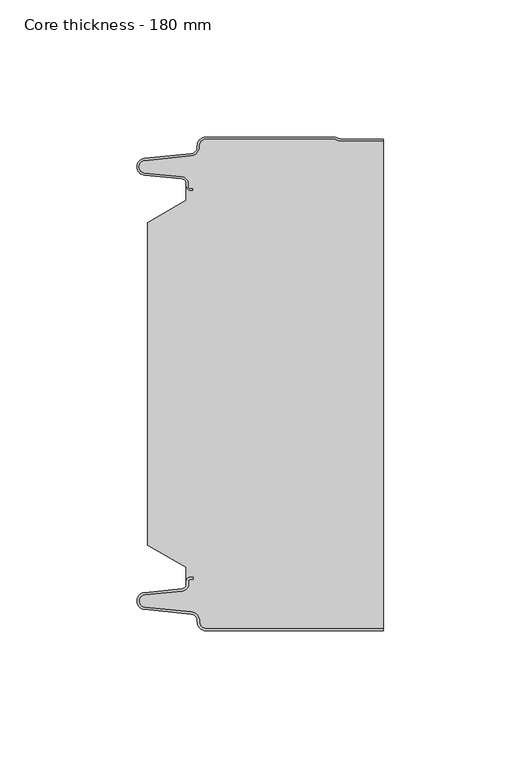
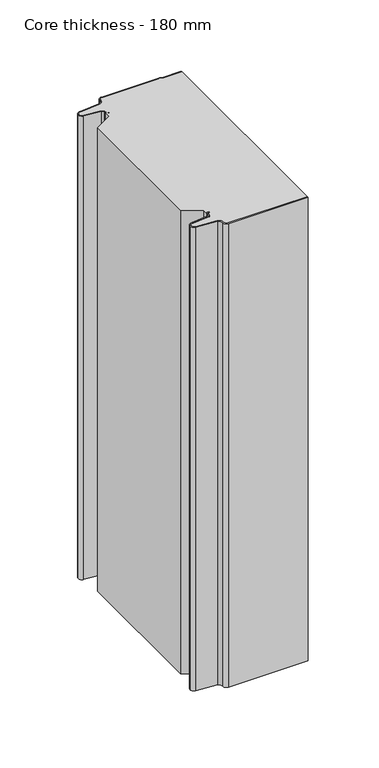
"""IFC4 building model written with IfcOpenShell, lengths in millimetres: plate geometry, Core thickness - 180 mm."""

from ifc_helpers import new_model, si_unit, frame, origin, place, context, project, spatial, polyline, circle_curve, source, transform, mapped, element, save
from ifc_brep_helpers import plane_surface, cylinder_surface, revolved_surface, advanced_brep


def core_thickness_180_mm_905cd789(model_context):
    return source(origin(), model_context, "Body", "AdvancedBrep", [
        advanced_brep(
        [(-19.8000003, -179.9996949, 0.0), (-22.9923632, -176.5787437, 0.0), (-25.2560431, -173.9171154, 0.0), (-42.2115315, -172.2546153, 0.0), (-44.9999998, -169.1776715, 0.0), (-42.2115315, -166.1007278, 0.0), (-28.6195785, -164.7680252, 0.0), (-26.9952277, -162.9766159, 0.0), (-26.9952277, -161.8996949, 0.0), (-25.5952277, -160.4996949, 0.0), (-24.4952277, -160.4996949, 0.0), (-24.4952277, -161.2996949, 0.0), (-25.5952277, -161.2996949, 0.0), (-26.1952277, -161.8996949, 0.0), (-26.1952277, -162.9766159, 0.0), (-28.5415122, -165.5642071, 0.0), (-42.1334652, -166.8969097, 0.0), (-44.1999997, -169.1776715, 0.0), (-42.1334652, -171.4584333, 0.0), (-25.1779767, -173.1209335, 0.0), (-22.2078761, -176.6330399, 0.0), (-19.8000003, -179.1996949, 0.0), (44.9999998, -179.2, 0.0), (44.9999998, -179.9996949, 0.0), (-19.8000003, -179.1996949, 400.0), (-22.1942724, -176.6339815, 400.0), (-25.1779767, -173.1209335, 400.0), (-42.1334652, -171.4584333, 400.0), (-44.1999997, -169.1776715, 400.0), (-42.1334652, -166.8969097, 400.0), (-28.5415122, -165.5642071, 400.0), (-26.1952277, -162.9766159, 400.0), (-26.1952277, -161.8996949, 400.0), (-25.5952277, -161.2996949, 400.0), (-24.4952277, -161.2996949, 400.0), (-24.4952277, -160.4996949, 400.0), (-25.5952277, -160.4996949, 400.0), (-26.9952277, -161.8996949, 400.0), (-26.9952277, -162.9766159, 400.0), (-28.6195785, -164.7680252, 400.0), (-42.2115315, -166.1007278, 400.0), (-44.9999998, -169.1776715, 400.0), (-42.2115315, -172.2546153, 400.0), (-25.2560431, -173.9171154, 400.0), (-23.0059668, -176.5778021, 400.0), (-19.8000003, -179.9996949, 400.0), (44.9999998, -179.9996949, 400.0), (44.9999998, -179.2, 400.0)],
        [
            (0, 1, circle_curve(frame((-19.8000003, -176.7996949, 0.0), z_axis=(0.0, 0.0, -1.0), x_axis=(1.0, 0.0, 0.0)), 3.2)),
            (1, 2, circle_curve(frame((-25.5000003, -176.4051839, 0.0), z_axis=(0.0, 0.0, 1.0), x_axis=(1.0, 0.0, 0.0)), 2.5)),
            (2, 3),
            (3, 4, circle_curve(frame((-41.9100003, -169.1793626, 0.0), z_axis=(0.0, 0.0, -1.0), x_axis=(1.0, 0.0, 0.0)), 3.09)),
            (4, 5, circle_curve(frame((-41.9100003, -169.1759805, 0.0), z_axis=(0.0, 0.0, -1.0), x_axis=(1.0, 0.0, 0.0)), 3.09)),
            (5, 6),
            (6, 7, circle_curve(frame((-28.7952277, -162.9766159, 0.0), z_axis=(0.0, 0.0, 1.0), x_axis=(1.0, 0.0, 0.0)), 1.8)),
            (7, 8),
            (8, 9, circle_curve(frame((-25.5952277, -161.8996949, 0.0), z_axis=(0.0, 0.0, -1.0), x_axis=(1.0, 0.0, 0.0)), 1.4)),
            (9, 10),
            (10, 11),
            (11, 12),
            (12, 13, circle_curve(frame((-25.5952277, -161.8996949, 0.0), z_axis=(0.0, 0.0, 1.0), x_axis=(1.0, 0.0, 0.0)), 0.6)),
            (13, 14),
            (14, 15, circle_curve(frame((-28.7952277, -162.9766159, 0.0), z_axis=(0.0, 0.0, -1.0), x_axis=(1.0, 0.0, 0.0)), 2.6)),
            (15, 16),
            (16, 17, circle_curve(frame((-41.9100003, -169.1759805, 0.0), z_axis=(0.0, 0.0, 1.0), x_axis=(1.0, 0.0, 0.0)), 2.29)),
            (17, 18, circle_curve(frame((-41.9100003, -169.1793626, 0.0), z_axis=(0.0, 0.0, 1.0), x_axis=(1.0, 0.0, 0.0)), 2.29)),
            (18, 19),
            (19, 20, circle_curve(frame((-25.5000003, -176.4051839, 0.0), z_axis=(0.0, 0.0, -1.0), x_axis=(1.0, 0.0, 0.0)), 3.3)),
            (20, 21, circle_curve(frame((-19.8000003, -176.7996949, 0.0), z_axis=(0.0, 0.0, 1.0), x_axis=(1.0, 0.0, 0.0)), 2.4)),
            (21, 22),
            (22, 23),
            (23, 0),
            (24, 25, circle_curve(frame((-19.8000003, -176.7996949, 400.0), z_axis=(0.0, 0.0, -1.0), x_axis=(1.0, 0.0, 0.0)), 2.4)),
            (25, 26, circle_curve(frame((-25.5000003, -176.4051839, 400.0), z_axis=(0.0, 0.0, 1.0), x_axis=(1.0, 0.0, 0.0)), 3.3)),
            (26, 27),
            (27, 28, circle_curve(frame((-41.9100003, -169.1793626, 400.0), z_axis=(0.0, 0.0, -1.0), x_axis=(1.0, 0.0, 0.0)), 2.29)),
            (28, 29, circle_curve(frame((-41.9100003, -169.1759805, 400.0), z_axis=(0.0, 0.0, -1.0), x_axis=(1.0, 0.0, 0.0)), 2.29)),
            (29, 30),
            (30, 31, circle_curve(frame((-28.7952277, -162.9766159, 400.0), z_axis=(0.0, 0.0, 1.0), x_axis=(1.0, 0.0, 0.0)), 2.6)),
            (31, 32),
            (32, 33, circle_curve(frame((-25.5952277, -161.8996949, 400.0), z_axis=(0.0, 0.0, -1.0), x_axis=(1.0, 0.0, 0.0)), 0.6)),
            (33, 34),
            (34, 35),
            (35, 36),
            (36, 37, circle_curve(frame((-25.5952277, -161.8996949, 400.0), z_axis=(0.0, 0.0, 1.0), x_axis=(1.0, 0.0, 0.0)), 1.4)),
            (37, 38),
            (38, 39, circle_curve(frame((-28.7952277, -162.9766159, 400.0), z_axis=(0.0, 0.0, -1.0), x_axis=(1.0, 0.0, 0.0)), 1.8)),
            (39, 40),
            (40, 41, circle_curve(frame((-41.9100003, -169.1759805, 400.0), z_axis=(0.0, 0.0, 1.0), x_axis=(1.0, 0.0, 0.0)), 3.09)),
            (41, 42, circle_curve(frame((-41.9100003, -169.1793626, 400.0), z_axis=(0.0, 0.0, 1.0), x_axis=(1.0, 0.0, 0.0)), 3.09)),
            (42, 43),
            (43, 44, circle_curve(frame((-25.5000003, -176.4051839, 400.0), z_axis=(0.0, 0.0, -1.0), x_axis=(1.0, 0.0, 0.0)), 2.5)),
            (44, 45, circle_curve(frame((-19.8000003, -176.7996949, 400.0), z_axis=(0.0, 0.0, 1.0), x_axis=(1.0, 0.0, 0.0)), 3.2)),
            (45, 46),
            (46, 47),
            (47, 24),
            (21, 24),
            (47, 22),
            (20, 25),
            (19, 26),
            (18, 27),
            (17, 28),
            (16, 29),
            (15, 30),
            (14, 31),
            (13, 32),
            (12, 33),
            (11, 34),
            (10, 35),
            (9, 36),
            (8, 37),
            (7, 38),
            (6, 39),
            (5, 40),
            (4, 41),
            (3, 42),
            (2, 43),
            (1, 44),
            (0, 45),
            (23, 46),
        ],
        [
            plane_surface(frame((-44.9999998, -180.0, 0.0), z_axis=(0.0, 0.0, -1.0), x_axis=(0.0, 1.0, 0.0))),
            plane_surface(frame((-44.9999998, -180.0, 400.0), z_axis=(0.0, 0.0, 1.0), x_axis=(0.0, 1.0, 0.0))),
            plane_surface(frame((-19.8000003, -179.2, 0.0), z_axis=(0.0, 1.0, 0.0), x_axis=(0.0, 0.0, 1.0))),
            revolved_surface(polyline([(-17.400000300000002, -176.7996949, 400.0), (-17.400000300000002, -176.7996949, 0.0)]), (-19.8000003, -176.7996949, 0.0), (0.0, 0.0, 1.0)),
            cylinder_surface(frame((-25.5000003, -176.4051839, 0.0), z_axis=(0.0, 0.0, -1.0), x_axis=(1.0, 0.0, 0.0)), 3.3),
            plane_surface(frame((-42.1334652, -171.4584333, 0.0), z_axis=(0.09758289975914758, 0.9952273999818314, 0.0), x_axis=(0.0, 0.0, 1.0))),
            revolved_surface(polyline([(-39.6200003, -169.1793626, 400.0), (-39.6200003, -169.1793626, 0.0)]), (-41.9100003, -169.1793626, 0.0), (0.0, 0.0, 1.0)),
            revolved_surface(polyline([(-39.6200003, -169.1759805, 400.0), (-39.6200003, -169.1759805, 0.0)]), (-41.9100003, -169.1759805, 0.0), (0.0, 0.0, 1.0)),
            plane_surface(frame((-28.5415122, -165.5642071, 0.0), z_axis=(0.09758289975914383, -0.9952273999818317, 0.0), x_axis=(0.0, 0.0, 1.0))),
            cylinder_surface(frame((-28.7952277, -162.9766159, 0.0), z_axis=(0.0, 0.0, -1.0), x_axis=(1.0, 0.0, 0.0)), 2.6),
            plane_surface(frame((-26.1952277, -161.8996949, 0.0), z_axis=(1.0, 0.0, 0.0), x_axis=(0.0, 0.0, 1.0))),
            revolved_surface(polyline([(-24.995227699999997, -161.8996949, 400.0), (-24.995227699999997, -161.8996949, 0.0)]), (-25.5952277, -161.8996949, 0.0), (0.0, 0.0, 1.0)),
            plane_surface(frame((-24.4952277, -161.2996949, 0.0), z_axis=(0.0, -1.0, 0.0), x_axis=(0.0, 0.0, 1.0))),
            plane_surface(frame((-24.4952277, -160.4996949, 0.0), z_axis=(1.0, 0.0, 0.0), x_axis=(0.0, 0.0, 1.0))),
            plane_surface(frame((-25.5952277, -160.4996949, 0.0), z_axis=(0.0, 1.0, 0.0), x_axis=(0.0, 0.0, 1.0))),
            cylinder_surface(frame((-25.5952277, -161.8996949, 0.0), z_axis=(0.0, 0.0, -1.0), x_axis=(1.0, 0.0, 0.0)), 1.4),
            plane_surface(frame((-26.9952277, -162.9766159, 0.0), z_axis=(-1.0, 0.0, 0.0), x_axis=(0.0, 0.0, 1.0))),
            revolved_surface(polyline([(-26.9952277, -162.9766159, 400.0), (-26.9952277, -162.9766159, 0.0)]), (-28.7952277, -162.9766159, 0.0), (0.0, 0.0, 1.0)),
            plane_surface(frame((-42.2115315, -166.1007278, 0.0), z_axis=(-0.09758289975914387, 0.9952273999818317, 0.0), x_axis=(0.0, 0.0, 1.0))),
            cylinder_surface(frame((-41.9100003, -169.1759805, 0.0), z_axis=(0.0, 0.0, -1.0), x_axis=(1.0, 0.0, 0.0)), 3.09),
            cylinder_surface(frame((-41.9100003, -169.1793626, 0.0), z_axis=(0.0, 0.0, -1.0), x_axis=(1.0, 0.0, 0.0)), 3.09),
            plane_surface(frame((-25.2560431, -173.9171154, 0.0), z_axis=(-0.09758289975914762, -0.9952273999818314, 0.0), x_axis=(0.0, 0.0, 1.0))),
            revolved_surface(polyline([(-23.0000003, -176.4051839, 400.0), (-23.0000003, -176.4051839, 0.0)]), (-25.5000003, -176.4051839, 0.0), (0.0, 0.0, 1.0)),
            cylinder_surface(frame((-19.8000003, -176.7996949, 0.0), z_axis=(0.0, 0.0, -1.0), x_axis=(1.0, 0.0, 0.0)), 3.2),
            plane_surface(frame((1121.009932, -179.9996949, 0.0), z_axis=(0.0, -1.0, 0.0), x_axis=(0.0, 0.0, 1.0))),
            plane_surface(frame((44.9999998, 180.0, 400.0), z_axis=(1.0, 0.0, 0.0), x_axis=(0.0, 0.0, -1.0))),
        ],
        [
            (0, [[1, 2, 3, 4, 5, 6, 7, 8, 9, 10, 11, 12, 13, 14, 15, 16, 17, 18, 19, 20, 21, 22, 23, 24]]),
            (1, [[25, 26, 27, 28, 29, 30, 31, 32, 33, 34, 35, 36, 37, 38, 39, 40, 41, 42, 43, 44, 45, 46, 47, 48]]),
            (2, [[49, -48, 50, -22]]),
            (3, [[-21, 51, -25, -49]]),
            (4, [[-20, 52, -26, -51]]),
            (5, [[-19, 53, -27, -52]]),
            (6, [[-18, 54, -28, -53]]),
            (7, [[-17, 55, -29, -54]]),
            (8, [[-16, 56, -30, -55]]),
            (9, [[-15, 57, -31, -56]]),
            (10, [[-14, 58, -32, -57]]),
            (11, [[-13, 59, -33, -58]]),
            (12, [[-12, 60, -34, -59]]),
            (13, [[-11, 61, -35, -60]]),
            (14, [[-10, 62, -36, -61]]),
            (15, [[-9, 63, -37, -62]]),
            (16, [[-8, 64, -38, -63]]),
            (17, [[-7, 65, -39, -64]]),
            (18, [[-6, 66, -40, -65]]),
            (19, [[-5, 67, -41, -66]]),
            (20, [[-4, 68, -42, -67]]),
            (21, [[-3, 69, -43, -68]]),
            (22, [[-2, 70, -44, -69]]),
            (23, [[-1, 71, -45, -70]]),
            (24, [[-71, -24, 72, -46]]),
            (25, [[-23, -50, -47, -72]]),
        ],
    ),
        advanced_brep(
        [(-26.9952277, -23.1062917, 400.0), (-41.0446509, -31.1628062, 400.0), (-41.0446509, -148.7531937, 400.0), (-26.9952277, -156.8937083, 400.0), (-26.9952277, -160.4996949, 400.0), (-26.9952277, -161.8996949, 400.0), (-25.5952277, -160.4996949, 400.0), (-24.4952277, -160.4996949, 400.0), (-24.4952277, -161.2996949, 400.0), (-25.5952277, -161.2996949, 400.0), (-26.1952277, -161.8996949, 400.0), (-26.1952277, -162.9766159, 400.0), (-28.5415122, -165.5642071, 400.0), (-42.1334652, -166.8969097, 400.0), (-44.1999997, -169.1776715, 400.0), (-42.1334652, -171.4584333, 400.0), (-25.1779767, -173.1209335, 400.0), (-22.2078761, -176.6330399, 400.0), (-19.8000003, -179.1996949, 400.0), (44.9999998, -179.2, 400.0), (44.9999998, -1.5003051, 400.0), (29.4172165, -1.5003051, 400.0), (27.9978051, -1.0971009, 400.0), (26.9454197, -0.8, 400.0), (-19.8000003, -0.8, 400.0), (-22.1942724, -3.3660185, 400.0), (-25.1779767, -6.8790665, 400.0), (-42.1334652, -8.5415667, 400.0), (-44.1999997, -10.8223285, 400.0), (-42.1334652, -13.1030903, 400.0), (-28.5415122, -14.4357929, 400.0), (-26.1952277, -17.0233841, 400.0), (-26.1952277, -18.1003051, 400.0), (-25.5952277, -18.7003051, 400.0), (-24.4952277, -18.7003051, 400.0), (-24.4952277, -19.5003051, 400.0), (-25.5952277, -19.5003051, 400.0), (-26.9952277, -18.1003051, 400.0), (-26.9952277, -19.5003051, 400.0), (-26.9952277, -156.8937083, 0.0), (-41.0446509, -148.7531937, 0.0), (-41.0446509, -31.1628062, 0.0), (-26.9952277, -23.1062917, 0.0), (-26.9952277, -19.5003051, 0.0), (-26.9952277, -18.1003051, 0.0), (-25.5952277, -19.5003051, 0.0), (-24.4952277, -19.5003051, 0.0), (-24.4952277, -18.7003051, 0.0), (-25.5952277, -18.7003051, 0.0), (-26.1952277, -18.1003051, 0.0), (-26.1952277, -17.0233841, 0.0), (-28.5415122, -14.4357929, 0.0), (-42.1334652, -13.1030903, 0.0), (-44.1999997, -10.8223285, 0.0), (-42.1334652, -8.5415667, 0.0), (-25.1779767, -6.8790665, 0.0), (-22.2078761, -3.3669601, 0.0), (-19.8000003, -0.8003051, 0.0), (26.9454197, -0.8, 0.0), (27.9968355, -1.0986697, 0.0), (29.4172165, -1.5003051, 0.0), (44.9999998, -1.5003051, 0.0), (44.9999998, -179.2, 0.0), (-19.8000003, -179.2, 0.0), (-22.1942724, -176.6339815, 0.0), (-25.1779767, -173.1209335, 0.0), (-42.1334652, -171.4584333, 0.0), (-44.1999997, -169.1776715, 0.0), (-42.1334652, -166.8969097, 0.0), (-28.5415122, -165.5642071, 0.0), (-26.1952277, -162.9766159, 0.0), (-26.1952277, -161.8996949, 0.0), (-25.5952277, -161.2996949, 0.0), (-24.4952277, -161.2996949, 0.0), (-24.4952277, -160.4996949, 0.0), (-25.5952277, -160.4996949, 0.0), (-26.9952277, -161.8996949, 0.0), (-26.9952277, -160.4996949, 0.0)],
        [
            (0, 1),
            (1, 2),
            (2, 3),
            (3, 4),
            (4, 5),
            (5, 6, circle_curve(frame((-25.5952277, -161.8996949, 400.0), z_axis=(0.0, 0.0, -1.0), x_axis=(1.0, 0.0, 0.0)), 1.4)),
            (6, 7),
            (7, 8),
            (8, 9),
            (9, 10, circle_curve(frame((-25.5952277, -161.8996949, 400.0), z_axis=(0.0, 0.0, 1.0), x_axis=(1.0, 0.0, 0.0)), 0.6)),
            (10, 11),
            (11, 12, circle_curve(frame((-28.7952277, -162.9766159, 400.0), z_axis=(0.0, 0.0, -1.0), x_axis=(1.0, 0.0, 0.0)), 2.6)),
            (12, 13),
            (13, 14, circle_curve(frame((-41.9100003, -169.1759805, 400.0), z_axis=(0.0, 0.0, 1.0), x_axis=(1.0, 0.0, 0.0)), 2.29)),
            (14, 15, circle_curve(frame((-41.9100003, -169.1793626, 400.0), z_axis=(0.0, 0.0, 1.0), x_axis=(1.0, 0.0, 0.0)), 2.29)),
            (15, 16),
            (16, 17, circle_curve(frame((-25.5000003, -176.4051839, 400.0), z_axis=(0.0, 0.0, -1.0), x_axis=(1.0, 0.0, 0.0)), 3.3)),
            (17, 18, circle_curve(frame((-19.8000003, -176.7996949, 400.0), z_axis=(0.0, 0.0, 1.0), x_axis=(1.0, 0.0, 0.0)), 2.4)),
            (18, 19),
            (19, 20),
            (20, 21),
            (21, 22, circle_curve(frame((29.4172165, 1.1996949, 400.0), z_axis=(0.0, 0.0, -1.0), x_axis=(1.0, 0.0, 0.0)), 2.7)),
            (22, 23, circle_curve(frame((26.9454197, -2.8, 400.0), z_axis=(0.0, 0.0, 1.0), x_axis=(1.0, 0.0, 0.0)), 2.0)),
            (23, 24),
            (24, 25, circle_curve(frame((-19.8000003, -3.2003051, 400.0), z_axis=(0.0, 0.0, 1.0), x_axis=(1.0, 0.0, 0.0)), 2.4)),
            (25, 26, circle_curve(frame((-25.5000003, -3.5948161, 400.0), z_axis=(0.0, 0.0, -1.0), x_axis=(1.0, 0.0, 0.0)), 3.3)),
            (26, 27),
            (27, 28, circle_curve(frame((-41.9100003, -10.8206374, 400.0), z_axis=(0.0, 0.0, 1.0), x_axis=(1.0, 0.0, 0.0)), 2.29)),
            (28, 29, circle_curve(frame((-41.9100003, -10.8240195, 400.0), z_axis=(0.0, 0.0, 1.0), x_axis=(1.0, 0.0, 0.0)), 2.29)),
            (29, 30),
            (30, 31, circle_curve(frame((-28.7952277, -17.0233841, 400.0), z_axis=(0.0, 0.0, -1.0), x_axis=(1.0, 0.0, 0.0)), 2.6)),
            (31, 32),
            (32, 33, circle_curve(frame((-25.5952277, -18.1003051, 400.0), z_axis=(0.0, 0.0, 1.0), x_axis=(1.0, 0.0, 0.0)), 0.6)),
            (33, 34),
            (34, 35),
            (35, 36),
            (36, 37, circle_curve(frame((-25.5952277, -18.1003051, 400.0), z_axis=(0.0, 0.0, -1.0), x_axis=(1.0, 0.0, 0.0)), 1.4)),
            (37, 38),
            (38, 0),
            (39, 40),
            (40, 41),
            (41, 42),
            (42, 43),
            (43, 44),
            (44, 45, circle_curve(frame((-25.5952277, -18.1003051, 0.0), z_axis=(0.0, 0.0, 1.0), x_axis=(1.0, 0.0, 0.0)), 1.4)),
            (45, 46),
            (46, 47),
            (47, 48),
            (48, 49, circle_curve(frame((-25.5952277, -18.1003051, 0.0), z_axis=(0.0, 0.0, -1.0), x_axis=(1.0, 0.0, 0.0)), 0.6)),
            (49, 50),
            (50, 51, circle_curve(frame((-28.7952277, -17.0233841, 0.0), z_axis=(0.0, 0.0, 1.0), x_axis=(1.0, 0.0, 0.0)), 2.6)),
            (51, 52),
            (52, 53, circle_curve(frame((-41.9100003, -10.8240195, 0.0), z_axis=(0.0, 0.0, -1.0), x_axis=(1.0, 0.0, 0.0)), 2.29)),
            (53, 54, circle_curve(frame((-41.9100003, -10.8206374, 0.0), z_axis=(0.0, 0.0, -1.0), x_axis=(1.0, 0.0, 0.0)), 2.29)),
            (54, 55),
            (55, 56, circle_curve(frame((-25.5000003, -3.5948161, 0.0), z_axis=(0.0, 0.0, 1.0), x_axis=(1.0, 0.0, 0.0)), 3.3)),
            (56, 57, circle_curve(frame((-19.8000003, -3.2003051, 0.0), z_axis=(0.0, 0.0, -1.0), x_axis=(1.0, 0.0, 0.0)), 2.4)),
            (57, 58),
            (58, 59, circle_curve(frame((26.9454197, -2.8, 0.0), z_axis=(0.0, 0.0, -1.0), x_axis=(1.0, 0.0, 0.0)), 2.0)),
            (59, 60, circle_curve(frame((29.4172165, 1.1996949, 0.0), z_axis=(0.0, 0.0, 1.0), x_axis=(1.0, 0.0, 0.0)), 2.7)),
            (60, 61),
            (61, 62),
            (62, 63),
            (63, 64, circle_curve(frame((-19.8000003, -176.7996949, 0.0), z_axis=(0.0, 0.0, -1.0), x_axis=(1.0, 0.0, 0.0)), 2.4)),
            (64, 65, circle_curve(frame((-25.5000003, -176.4051839, 0.0), z_axis=(0.0, 0.0, 1.0), x_axis=(1.0, 0.0, 0.0)), 3.3)),
            (65, 66),
            (66, 67, circle_curve(frame((-41.9100003, -169.1793626, 0.0), z_axis=(0.0, 0.0, -1.0), x_axis=(1.0, 0.0, 0.0)), 2.29)),
            (67, 68, circle_curve(frame((-41.9100003, -169.1759805, 0.0), z_axis=(0.0, 0.0, -1.0), x_axis=(1.0, 0.0, 0.0)), 2.29)),
            (68, 69),
            (69, 70, circle_curve(frame((-28.7952277, -162.9766159, 0.0), z_axis=(0.0, 0.0, 1.0), x_axis=(1.0, 0.0, 0.0)), 2.6)),
            (70, 71),
            (71, 72, circle_curve(frame((-25.5952277, -161.8996949, 0.0), z_axis=(0.0, 0.0, -1.0), x_axis=(1.0, 0.0, 0.0)), 0.6)),
            (72, 73),
            (73, 74),
            (74, 75),
            (75, 76, circle_curve(frame((-25.5952277, -161.8996949, 0.0), z_axis=(0.0, 0.0, 1.0), x_axis=(1.0, 0.0, 0.0)), 1.4)),
            (76, 77),
            (77, 39),
            (42, 0),
            (37, 44),
            (1, 41),
            (40, 2),
            (39, 3),
            (76, 5),
            (18, 63),
            (62, 19),
            (17, 64),
            (16, 65),
            (15, 66),
            (14, 67),
            (13, 68),
            (12, 69),
            (11, 70),
            (10, 71),
            (9, 72),
            (8, 73),
            (7, 74),
            (6, 75),
            (57, 24),
            (23, 58),
            (22, 59),
            (21, 60),
            (20, 61),
            (36, 45),
            (35, 46),
            (34, 47),
            (33, 48),
            (32, 49),
            (31, 50),
            (30, 51),
            (29, 52),
            (28, 53),
            (27, 54),
            (26, 55),
            (25, 56),
        ],
        [
            plane_surface(frame((-44.9999998, 0.0, 400.0), z_axis=(0.0, 0.0, 1.0), x_axis=(0.0, -1.0, 0.0))),
            plane_surface(frame((-44.9999998, 0.0, 0.0), z_axis=(0.0, 0.0, -1.0), x_axis=(0.0, -1.0, 0.0))),
            plane_surface(frame((-26.9952277, -17.0229218, 400.0), z_axis=(-1.0, 0.0, 0.0), x_axis=(0.0, 0.0, -1.0))),
            plane_surface(frame((-41.0446509, -31.1628062, 400.0), z_axis=(-1.0, 0.0, 0.0), x_axis=(0.0, 0.0, -1.0))),
            plane_surface(frame((-26.9952277, -23.1062917, 400.0), z_axis=(-0.4974543664933155, 0.8674901459133322, 0.0), x_axis=(0.0, 0.0, -1.0))),
            plane_surface(frame((-41.0446509, -148.7531937, 400.0), z_axis=(-0.5013424225369615, -0.8652489672717159, 0.0), x_axis=(0.0, 0.0, -1.0))),
            plane_surface(frame((-26.9952277, -156.8937083, 400.0), z_axis=(-1.0, 0.0, 0.0), x_axis=(0.0, 0.0, -1.0))),
            plane_surface(frame((1121.009932, -179.2, 530.0), z_axis=(0.0, -1.0, 0.0), x_axis=(0.0, 0.0, -1.0))),
            cylinder_surface(frame((-19.8000003, -176.7996949, 530.0), z_axis=(0.0, 0.0, -1.0), x_axis=(1.0, 0.0, 0.0)), 2.4),
            revolved_surface(polyline([(-22.2000003, -176.4051839, 400.0), (-22.2000003, -176.4051839, 0.0)]), (-25.5000003, -176.4051839, 530.0), (0.0, 0.0, 1.0)),
            plane_surface(frame((-25.1779767, -173.1209335, 530.0), z_axis=(-0.09758289975914758, -0.9952273999818314, 0.0), x_axis=(0.0, 0.0, -1.0))),
            cylinder_surface(frame((-41.9100003, -169.1793626, 530.0), z_axis=(0.0, 0.0, -1.0), x_axis=(1.0, 0.0, 0.0)), 2.29),
            cylinder_surface(frame((-41.9100003, -169.1759805, 530.0), z_axis=(0.0, 0.0, -1.0), x_axis=(1.0, 0.0, 0.0)), 2.29),
            plane_surface(frame((-42.1334652, -166.8969097, 530.0), z_axis=(-0.09758289975914383, 0.9952273999818317, 0.0), x_axis=(0.0, 0.0, -1.0))),
            revolved_surface(polyline([(-26.1952277, -162.9766159, 400.0), (-26.1952277, -162.9766159, 0.0)]), (-28.7952277, -162.9766159, 530.0), (0.0, 0.0, 1.0)),
            plane_surface(frame((-26.1952277, -162.9766159, 530.0), z_axis=(-1.0, 0.0, 0.0), x_axis=(0.0, 0.0, -1.0))),
            cylinder_surface(frame((-25.5952277, -161.8996949, 530.0), z_axis=(0.0, 0.0, -1.0), x_axis=(1.0, 0.0, 0.0)), 0.6),
            plane_surface(frame((-25.5952277, -161.2996949, 530.0), z_axis=(0.0, 1.0, 0.0), x_axis=(0.0, 0.0, -1.0))),
            plane_surface(frame((-24.4952277, -161.2996949, 530.0), z_axis=(-1.0, 0.0, 0.0), x_axis=(0.0, 0.0, -1.0))),
            plane_surface(frame((-24.4952277, -160.4996949, 530.0), z_axis=(0.0, -1.0, 0.0), x_axis=(0.0, 0.0, -1.0))),
            revolved_surface(polyline([(-24.1952277, -161.8996949, 400.0), (-24.1952277, -161.8996949, 0.0)]), (-25.5952277, -161.8996949, 530.0), (0.0, 0.0, 1.0)),
            plane_surface(frame((-19.8000003, -0.8, 530.0), z_axis=(0.0, 1.0, 0.0), x_axis=(0.0, 0.0, -1.0))),
            cylinder_surface(frame((26.9454197, -2.8, 530.0), z_axis=(0.0, 0.0, -1.0), x_axis=(1.0, 0.0, 0.0)), 2.0),
            revolved_surface(polyline([(32.1172165, 1.1996949, 400.0), (32.1172165, 1.1996949, 0.0)]), (29.4172165, 1.1996949, 530.0), (0.0, 0.0, 1.0)),
            plane_surface(frame((29.4172165, -1.5003051, 530.0), z_axis=(0.0, 1.0, 0.0), x_axis=(0.0, 0.0, -1.0))),
            revolved_surface(polyline([(-24.1952277, -18.1003051, 400.0), (-24.1952277, -18.1003051, 0.0)]), (-25.5952277, -18.1003051, 530.0), (0.0, 0.0, 1.0)),
            plane_surface(frame((-25.5952277, -19.5003051, 530.0), z_axis=(0.0, 1.0, 0.0), x_axis=(0.0, 0.0, -1.0))),
            plane_surface(frame((-24.4952277, -19.5003051, 530.0), z_axis=(-1.0, 0.0, 0.0), x_axis=(0.0, 0.0, -1.0))),
            plane_surface(frame((-24.4952277, -18.7003051, 530.0), z_axis=(0.0, -1.0, 0.0), x_axis=(0.0, 0.0, -1.0))),
            cylinder_surface(frame((-25.5952277, -18.1003051, 530.0), z_axis=(0.0, 0.0, -1.0), x_axis=(1.0, 0.0, 0.0)), 0.6),
            plane_surface(frame((-26.1952277, -18.1003051, 530.0), z_axis=(-1.0, 0.0, 0.0), x_axis=(0.0, 0.0, -1.0))),
            revolved_surface(polyline([(-26.1952277, -17.0233841, 400.0), (-26.1952277, -17.0233841, 0.0)]), (-28.7952277, -17.0233841, 530.0), (0.0, 0.0, 1.0)),
            plane_surface(frame((-28.5415122, -14.4357929, 530.0), z_axis=(-0.09758289975914705, -0.9952273999818314, 0.0), x_axis=(0.0, 0.0, -1.0))),
            cylinder_surface(frame((-41.9100003, -10.8240195, 530.0), z_axis=(0.0, 0.0, -1.0), x_axis=(1.0, 0.0, 0.0)), 2.29),
            cylinder_surface(frame((-41.9100003, -10.8206374, 530.0), z_axis=(0.0, 0.0, -1.0), x_axis=(1.0, 0.0, 0.0)), 2.29),
            plane_surface(frame((-42.1334652, -8.5415667, 530.0), z_axis=(-0.09758289975914436, 0.9952273999818317, 0.0), x_axis=(0.0, 0.0, -1.0))),
            revolved_surface(polyline([(-22.2000003, -3.5948161, 400.0), (-22.2000003, -3.5948161, 0.0)]), (-25.5000003, -3.5948161, 530.0), (0.0, 0.0, 1.0)),
            cylinder_surface(frame((-19.8000003, -3.2003051, 530.0), z_axis=(0.0, 0.0, -1.0), x_axis=(1.0, 0.0, 0.0)), 2.4),
            plane_surface(frame((44.9999998, 180.0, 400.0), z_axis=(1.0, 0.0, 0.0), x_axis=(0.0, 0.0, -1.0))),
        ],
        [
            (0, [[1, 2, 3, 4, 5, 6, 7, 8, 9, 10, 11, 12, 13, 14, 15, 16, 17, 18, 19, 20, 21, 22, 23, 24, 25, 26, 27, 28, 29, 30, 31, 32, 33, 34, 35, 36, 37, 38, 39]]),
            (1, [[40, 41, 42, 43, 44, 45, 46, 47, 48, 49, 50, 51, 52, 53, 54, 55, 56, 57, 58, 59, 60, 61, 62, 63, 64, 65, 66, 67, 68, 69, 70, 71, 72, 73, 74, 75, 76, 77, 78]]),
            (2, [[79, -39, -38, 80, -44, -43]]),
            (3, [[-2, 81, -41, 82]]),
            (4, [[-1, -79, -42, -81]]),
            (5, [[-3, -82, -40, 83]]),
            (6, [[-83, -78, -77, 84, -5, -4]]),
            (7, [[85, -63, 86, -19]]),
            (8, [[-85, -18, 87, -64]]),
            (9, [[-87, -17, 88, -65]]),
            (10, [[-88, -16, 89, -66]]),
            (11, [[-89, -15, 90, -67]]),
            (12, [[-90, -14, 91, -68]]),
            (13, [[-91, -13, 92, -69]]),
            (14, [[-92, -12, 93, -70]]),
            (15, [[-93, -11, 94, -71]]),
            (16, [[-94, -10, 95, -72]]),
            (17, [[-95, -9, 96, -73]]),
            (18, [[-96, -8, 97, -74]]),
            (19, [[-97, -7, 98, -75]]),
            (20, [[-98, -6, -84, -76]]),
            (21, [[99, -24, 100, -58]]),
            (22, [[-100, -23, 101, -59]]),
            (23, [[-101, -22, 102, -60]]),
            (24, [[-102, -21, 103, -61]]),
            (25, [[104, -45, -80, -37]]),
            (26, [[-104, -36, 105, -46]]),
            (27, [[-105, -35, 106, -47]]),
            (28, [[-106, -34, 107, -48]]),
            (29, [[-107, -33, 108, -49]]),
            (30, [[-108, -32, 109, -50]]),
            (31, [[-109, -31, 110, -51]]),
            (32, [[-110, -30, 111, -52]]),
            (33, [[-111, -29, 112, -53]]),
            (34, [[-112, -28, 113, -54]]),
            (35, [[-113, -27, 114, -55]]),
            (36, [[-114, -26, 115, -56]]),
            (37, [[-99, -57, -115, -25]]),
            (38, [[-86, -62, -103, -20]]),
        ],
    ),
        advanced_brep(
        [(27.9968355, -1.0986697, 0.0), (26.9454197, -0.8, 0.0), (-19.8000003, -0.8, 0.0), (-22.1942724, -3.3660185, 0.0), (-25.1779767, -6.8790665, 0.0), (-42.1334652, -8.5415667, 0.0), (-44.1999997, -10.8223285, 0.0), (-42.1334652, -13.1030903, 0.0), (-28.5415122, -14.4357929, 0.0), (-26.1952277, -17.0233841, 0.0), (-26.1952277, -18.1003051, 0.0), (-25.5952277, -18.7003051, 0.0), (-24.4952277, -18.7003051, 0.0), (-24.4952277, -19.5003051, 0.0), (-25.5952277, -19.5003051, 0.0), (-26.9952277, -18.1003051, 0.0), (-26.9952277, -17.0233841, 0.0), (-28.6195785, -15.2319748, 0.0), (-42.2115315, -13.8992722, 0.0), (-44.9999998, -10.8223285, 0.0), (-42.2115315, -7.7453847, 0.0), (-25.2560431, -6.0828846, 0.0), (-23.0059668, -3.4221979, 0.0), (-19.8000003, -0.0003051, 0.0), (26.9454197, -0.0003051, 0.0), (28.3647528, -0.4034608, 0.0), (29.4172165, -0.7003051, 0.0), (44.9999998, -0.7003051, 0.0), (44.9999998, -1.5003051, 0.0), (29.4172165, -1.5003051, 0.0), (27.9978051, -1.0971009, 400.0), (29.4172165, -1.5003051, 400.0), (44.9999998, -1.5003051, 400.0), (44.9999998, -0.7003051, 400.0), (29.4172165, -0.7003051, 400.0), (28.3658586, -0.4016712, 400.0), (26.9454197, -0.0003051, 400.0), (-19.8000003, -0.0003051, 400.0), (-22.9923632, -3.4212563, 400.0), (-25.2560431, -6.0828846, 400.0), (-42.2115315, -7.7453847, 400.0), (-44.9999998, -10.8223285, 400.0), (-42.2115315, -13.8992722, 400.0), (-28.6195785, -15.2319748, 400.0), (-26.9952277, -17.0233841, 400.0), (-26.9952277, -18.1003051, 400.0), (-25.5952277, -19.5003051, 400.0), (-24.4952277, -19.5003051, 400.0), (-24.4952277, -18.7003051, 400.0), (-25.5952277, -18.7003051, 400.0), (-26.1952277, -18.1003051, 400.0), (-26.1952277, -17.0233841, 400.0), (-28.5415122, -14.4357929, 400.0), (-42.1334652, -13.1030903, 400.0), (-44.1999997, -10.8223285, 400.0), (-42.1334652, -8.5415667, 400.0), (-25.1779767, -6.8790665, 400.0), (-22.2078761, -3.3669601, 400.0), (-19.8000003, -0.8003051, 400.0), (26.9454197, -0.8, 400.0)],
        [
            (0, 1, circle_curve(frame((26.9454197, -2.8, 0.0), z_axis=(0.0, 0.0, 1.0), x_axis=(1.0, 0.0, 0.0)), 2.0)),
            (1, 2),
            (2, 3, circle_curve(frame((-19.8000003, -3.2003051, 0.0), z_axis=(0.0, 0.0, 1.0), x_axis=(1.0, 0.0, 0.0)), 2.4)),
            (3, 4, circle_curve(frame((-25.5000003, -3.5948161, 0.0), z_axis=(0.0, 0.0, -1.0), x_axis=(1.0, 0.0, 0.0)), 3.3)),
            (4, 5),
            (5, 6, circle_curve(frame((-41.9100003, -10.8206374, 0.0), z_axis=(0.0, 0.0, 1.0), x_axis=(1.0, 0.0, 0.0)), 2.29)),
            (6, 7, circle_curve(frame((-41.9100003, -10.8240195, 0.0), z_axis=(0.0, 0.0, 1.0), x_axis=(1.0, 0.0, 0.0)), 2.29)),
            (7, 8),
            (8, 9, circle_curve(frame((-28.7952277, -17.0233841, 0.0), z_axis=(0.0, 0.0, -1.0), x_axis=(1.0, 0.0, 0.0)), 2.6)),
            (9, 10),
            (10, 11, circle_curve(frame((-25.5952277, -18.1003051, 0.0), z_axis=(0.0, 0.0, 1.0), x_axis=(1.0, 0.0, 0.0)), 0.6)),
            (11, 12),
            (12, 13),
            (13, 14),
            (14, 15, circle_curve(frame((-25.5952277, -18.1003051, 0.0), z_axis=(0.0, 0.0, -1.0), x_axis=(1.0, 0.0, 0.0)), 1.4)),
            (15, 16),
            (16, 17, circle_curve(frame((-28.7952277, -17.0233841, 0.0), z_axis=(0.0, 0.0, 1.0), x_axis=(1.0, 0.0, 0.0)), 1.8)),
            (17, 18),
            (18, 19, circle_curve(frame((-41.9100003, -10.8240195, 0.0), z_axis=(0.0, 0.0, -1.0), x_axis=(1.0, 0.0, 0.0)), 3.09)),
            (19, 20, circle_curve(frame((-41.9100003, -10.8206374, 0.0), z_axis=(0.0, 0.0, -1.0), x_axis=(1.0, 0.0, 0.0)), 3.09)),
            (20, 21),
            (21, 22, circle_curve(frame((-25.5000003, -3.5948161, 0.0), z_axis=(0.0, 0.0, 1.0), x_axis=(1.0, 0.0, 0.0)), 2.5)),
            (22, 23, circle_curve(frame((-19.8000003, -3.2003051, 0.0), z_axis=(0.0, 0.0, -1.0), x_axis=(1.0, 0.0, 0.0)), 3.2)),
            (23, 24),
            (24, 25, circle_curve(frame((26.9454197, -2.7003051, 0.0), z_axis=(0.0, 0.0, -1.0), x_axis=(1.0, 0.0, 0.0)), 2.7)),
            (25, 26, circle_curve(frame((29.4172165, 1.2996949, 0.0), z_axis=(0.0, 0.0, 1.0), x_axis=(1.0, 0.0, 0.0)), 2.0)),
            (26, 27),
            (27, 28),
            (28, 29),
            (29, 0, circle_curve(frame((29.4172165, 1.1996949, 0.0), z_axis=(0.0, 0.0, -1.0), x_axis=(1.0, 0.0, 0.0)), 2.7)),
            (30, 31, circle_curve(frame((29.4172165, 1.1996949, 400.0), z_axis=(0.0, 0.0, 1.0), x_axis=(1.0, 0.0, 0.0)), 2.7)),
            (31, 32),
            (32, 33),
            (33, 34),
            (34, 35, circle_curve(frame((29.4172165, 1.2996949, 400.0), z_axis=(0.0, 0.0, -1.0), x_axis=(1.0, 0.0, 0.0)), 2.0)),
            (35, 36, circle_curve(frame((26.9454197, -2.7003051, 400.0), z_axis=(0.0, 0.0, 1.0), x_axis=(1.0, 0.0, 0.0)), 2.7)),
            (36, 37),
            (37, 38, circle_curve(frame((-19.8000003, -3.2003051, 400.0), z_axis=(0.0, 0.0, 1.0), x_axis=(1.0, 0.0, 0.0)), 3.2)),
            (38, 39, circle_curve(frame((-25.5000003, -3.5948161, 400.0), z_axis=(0.0, 0.0, -1.0), x_axis=(1.0, 0.0, 0.0)), 2.5)),
            (39, 40),
            (40, 41, circle_curve(frame((-41.9100003, -10.8206374, 400.0), z_axis=(0.0, 0.0, 1.0), x_axis=(1.0, 0.0, 0.0)), 3.09)),
            (41, 42, circle_curve(frame((-41.9100003, -10.8240195, 400.0), z_axis=(0.0, 0.0, 1.0), x_axis=(1.0, 0.0, 0.0)), 3.09)),
            (42, 43),
            (43, 44, circle_curve(frame((-28.7952277, -17.0233841, 400.0), z_axis=(0.0, 0.0, -1.0), x_axis=(1.0, 0.0, 0.0)), 1.8)),
            (44, 45),
            (45, 46, circle_curve(frame((-25.5952277, -18.1003051, 400.0), z_axis=(0.0, 0.0, 1.0), x_axis=(1.0, 0.0, 0.0)), 1.4)),
            (46, 47),
            (47, 48),
            (48, 49),
            (49, 50, circle_curve(frame((-25.5952277, -18.1003051, 400.0), z_axis=(0.0, 0.0, -1.0), x_axis=(1.0, 0.0, 0.0)), 0.6)),
            (50, 51),
            (51, 52, circle_curve(frame((-28.7952277, -17.0233841, 400.0), z_axis=(0.0, 0.0, 1.0), x_axis=(1.0, 0.0, 0.0)), 2.6)),
            (52, 53),
            (53, 54, circle_curve(frame((-41.9100003, -10.8240195, 400.0), z_axis=(0.0, 0.0, -1.0), x_axis=(1.0, 0.0, 0.0)), 2.29)),
            (54, 55, circle_curve(frame((-41.9100003, -10.8206374, 400.0), z_axis=(0.0, 0.0, -1.0), x_axis=(1.0, 0.0, 0.0)), 2.29)),
            (55, 56),
            (56, 57, circle_curve(frame((-25.5000003, -3.5948161, 400.0), z_axis=(0.0, 0.0, 1.0), x_axis=(1.0, 0.0, 0.0)), 3.3)),
            (57, 58, circle_curve(frame((-19.8000003, -3.2003051, 400.0), z_axis=(0.0, 0.0, -1.0), x_axis=(1.0, 0.0, 0.0)), 2.4)),
            (58, 59),
            (59, 30, circle_curve(frame((26.9454197, -2.8, 400.0), z_axis=(0.0, 0.0, -1.0), x_axis=(1.0, 0.0, 0.0)), 2.0)),
            (0, 30),
            (59, 1),
            (58, 2),
            (57, 3),
            (56, 4),
            (55, 5),
            (54, 6),
            (53, 7),
            (52, 8),
            (51, 9),
            (50, 10),
            (49, 11),
            (48, 12),
            (47, 13),
            (46, 14),
            (45, 15),
            (44, 16),
            (43, 17),
            (42, 18),
            (41, 19),
            (40, 20),
            (39, 21),
            (38, 22),
            (37, 23),
            (36, 24),
            (35, 25),
            (34, 26),
            (33, 27),
            (31, 29),
            (28, 32),
        ],
        [
            plane_surface(frame((-44.9999998, 0.0, 0.0), z_axis=(0.0, 0.0, -1.0), x_axis=(0.0, -1.0, 0.0))),
            plane_surface(frame((-44.9999998, 0.0, 400.0), z_axis=(0.0, 0.0, 1.0), x_axis=(0.0, -1.0, 0.0))),
            revolved_surface(polyline([(28.9454197, -2.8, 400.0), (28.9454197, -2.8, 0.0)]), (26.9454197, -2.8, 0.0), (0.0, 0.0, 1.0)),
            plane_surface(frame((26.9454197, -0.8, 0.0), z_axis=(0.0, -1.0, 0.0), x_axis=(0.0, 0.0, 1.0))),
            revolved_surface(polyline([(-17.400000300000002, -3.2003051, 400.0), (-17.400000300000002, -3.2003051, 0.0)]), (-19.8000003, -3.2003051, 0.0), (0.0, 0.0, 1.0)),
            cylinder_surface(frame((-25.5000003, -3.5948161, 0.0), z_axis=(0.0, 0.0, -1.0), x_axis=(1.0, 0.0, 0.0)), 3.3),
            plane_surface(frame((-25.1779767, -6.8790665, 0.0), z_axis=(0.09758289975914113, -0.9952273999818321, 0.0), x_axis=(0.0, 0.0, 1.0))),
            revolved_surface(polyline([(-39.6200003, -10.8206374, 400.0), (-39.6200003, -10.8206374, 0.0)]), (-41.9100003, -10.8206374, 0.0), (0.0, 0.0, 1.0)),
            revolved_surface(polyline([(-39.6200003, -10.8240195, 400.0), (-39.6200003, -10.8240195, 0.0)]), (-41.9100003, -10.8240195, 0.0), (0.0, 0.0, 1.0)),
            plane_surface(frame((-42.1334652, -13.1030903, 0.0), z_axis=(0.0975828997591503, 0.9952273999818312, 0.0), x_axis=(0.0, 0.0, 1.0))),
            cylinder_surface(frame((-28.7952277, -17.0233841, 0.0), z_axis=(0.0, 0.0, -1.0), x_axis=(1.0, 0.0, 0.0)), 2.6),
            plane_surface(frame((-26.1952277, -17.0233841, 0.0), z_axis=(1.0, 0.0, 0.0), x_axis=(0.0, 0.0, 1.0))),
            revolved_surface(polyline([(-24.995227699999997, -18.1003051, 400.0), (-24.995227699999997, -18.1003051, 0.0)]), (-25.5952277, -18.1003051, 0.0), (0.0, 0.0, 1.0)),
            plane_surface(frame((-25.5952277, -18.7003051, 0.0), z_axis=(0.0, 1.0, 0.0), x_axis=(0.0, 0.0, 1.0))),
            plane_surface(frame((-24.4952277, -18.7003051, 0.0), z_axis=(1.0, 0.0, 0.0), x_axis=(0.0, 0.0, 1.0))),
            plane_surface(frame((-24.4952277, -19.5003051, 0.0), z_axis=(0.0, -1.0, 0.0), x_axis=(0.0, 0.0, 1.0))),
            cylinder_surface(frame((-25.5952277, -18.1003051, 0.0), z_axis=(0.0, 0.0, -1.0), x_axis=(1.0, 0.0, 0.0)), 1.4),
            plane_surface(frame((-26.9952277, -18.1003051, 0.0), z_axis=(-1.0, 0.0, 0.0), x_axis=(0.0, 0.0, 1.0))),
            revolved_surface(polyline([(-26.9952277, -17.0233841, 400.0), (-26.9952277, -17.0233841, 0.0)]), (-28.7952277, -17.0233841, 0.0), (0.0, 0.0, 1.0)),
            plane_surface(frame((-28.6195785, -15.2319748, 0.0), z_axis=(-0.09758289975915034, -0.9952273999818312, 0.0), x_axis=(0.0, 0.0, 1.0))),
            cylinder_surface(frame((-41.9100003, -10.8240195, 0.0), z_axis=(0.0, 0.0, -1.0), x_axis=(1.0, 0.0, 0.0)), 3.09),
            cylinder_surface(frame((-41.9100003, -10.8206374, 0.0), z_axis=(0.0, 0.0, -1.0), x_axis=(1.0, 0.0, 0.0)), 3.09),
            plane_surface(frame((-42.2115315, -7.7453847, 0.0), z_axis=(-0.09758289975914117, 0.9952273999818321, 0.0), x_axis=(0.0, 0.0, 1.0))),
            revolved_surface(polyline([(-23.0000003, -3.5948161, 400.0), (-23.0000003, -3.5948161, 0.0)]), (-25.5000003, -3.5948161, 0.0), (0.0, 0.0, 1.0)),
            cylinder_surface(frame((-19.8000003, -3.2003051, 0.0), z_axis=(0.0, 0.0, -1.0), x_axis=(1.0, 0.0, 0.0)), 3.2),
            plane_surface(frame((-19.8000003, -0.0003051, 0.0), z_axis=(0.0, 1.0, 0.0), x_axis=(0.0, 0.0, 1.0))),
            cylinder_surface(frame((26.9454197, -2.7003051, 0.0), z_axis=(0.0, 0.0, -1.0), x_axis=(1.0, 0.0, 0.0)), 2.7),
            revolved_surface(polyline([(31.4172165, 1.2996949, 400.0), (31.4172165, 1.2996949, 0.0)]), (29.4172165, 1.2996949, 0.0), (0.0, 0.0, 1.0)),
            plane_surface(frame((29.4172165, -0.7003051, 0.0), z_axis=(0.0, 1.0, 0.0), x_axis=(0.0, 0.0, 1.0))),
            plane_surface(frame((79.5769997, -1.5003051, 0.0), z_axis=(0.0, -1.0, 0.0), x_axis=(0.0, 0.0, 1.0))),
            cylinder_surface(frame((29.4172165, 1.1996949, 0.0), z_axis=(0.0, 0.0, -1.0), x_axis=(1.0, 0.0, 0.0)), 2.7),
            plane_surface(frame((44.9999998, 180.0, 400.0), z_axis=(1.0, 0.0, 0.0), x_axis=(0.0, 0.0, -1.0))),
        ],
        [
            (0, [[1, 2, 3, 4, 5, 6, 7, 8, 9, 10, 11, 12, 13, 14, 15, 16, 17, 18, 19, 20, 21, 22, 23, 24, 25, 26, 27, 28, 29, 30]]),
            (1, [[31, 32, 33, 34, 35, 36, 37, 38, 39, 40, 41, 42, 43, 44, 45, 46, 47, 48, 49, 50, 51, 52, 53, 54, 55, 56, 57, 58, 59, 60]]),
            (2, [[-1, 61, -60, 62]]),
            (3, [[-2, -62, -59, 63]]),
            (4, [[-3, -63, -58, 64]]),
            (5, [[-4, -64, -57, 65]]),
            (6, [[-5, -65, -56, 66]]),
            (7, [[-6, -66, -55, 67]]),
            (8, [[-7, -67, -54, 68]]),
            (9, [[-8, -68, -53, 69]]),
            (10, [[-9, -69, -52, 70]]),
            (11, [[-10, -70, -51, 71]]),
            (12, [[-11, -71, -50, 72]]),
            (13, [[-12, -72, -49, 73]]),
            (14, [[-13, -73, -48, 74]]),
            (15, [[-14, -74, -47, 75]]),
            (16, [[-15, -75, -46, 76]]),
            (17, [[-16, -76, -45, 77]]),
            (18, [[-17, -77, -44, 78]]),
            (19, [[-18, -78, -43, 79]]),
            (20, [[-19, -79, -42, 80]]),
            (21, [[-20, -80, -41, 81]]),
            (22, [[-21, -81, -40, 82]]),
            (23, [[-22, -82, -39, 83]]),
            (24, [[-23, -83, -38, 84]]),
            (25, [[-24, -84, -37, 85]]),
            (26, [[-25, -85, -36, 86]]),
            (27, [[-26, -86, -35, 87]]),
            (28, [[-87, -34, 88, -27]]),
            (29, [[89, -29, 90, -32]]),
            (30, [[-30, -89, -31, -61]]),
            (31, [[-28, -88, -33, -90]]),
        ],
    ),
    ])


if __name__ == "__main__":
    model = new_model("IFC4")
    model_context = context("Model", 3, world=origin())
    ifc_project = project(units=[si_unit("LENGTHUNIT", "METRE", prefix="MILLI")], contexts=[model_context])
    site = spatial("IfcSite", under=ifc_project)
    building = spatial("IfcBuilding", under=site)
    placement = place(None, origin())
    core_thickness_180_mm_shape = core_thickness_180_mm_905cd789(model_context)
    element("IfcPlate", 1, ObjectType="Core thickness - 180 mm", at=placement, inside=building, context=model_context, shape_type="MappedRepresentation", body=[
        mapped(core_thickness_180_mm_shape, transform((0.0, 0.0, 0.0), x_axis=(1.0, 0.0, 0.0), y_axis=(0.0, 1.0, 0.0), z_axis=(0.0, 0.0, 1.0))),
    ])
    save(model, "model.ifc")
